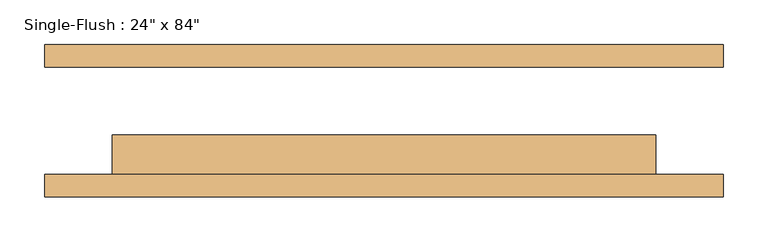
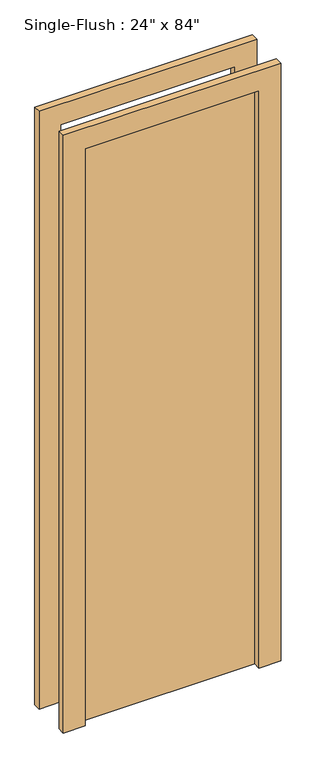
"""IFC4 building model written with IfcOpenShell, lengths in millimetres: door geometry."""

from ifc_helpers import new_model, si_unit, frame, origin, origin_with_axes, place, context, project, spatial, polyline, outline, extrude, source, transform, mapped, element, save


def door_6490ac36(model_context):
    return source(origin(), model_context, "Body", "SweptSolid", [
        extrude(outline(polyline([(2209.8, -381.0), (0.0, -381.0), (0.0, -304.8), (2133.6, -304.8), (2133.6, 304.8), (0.0, 304.8), (0.0, 381.0), (2209.8, 381.0), (2209.8, -381.0)])), frame((0.0, -85.725, 0.0), z_axis=(0.0, 1.0, 0.0), x_axis=(0.0, 0.0, 1.0)), (0.0, 0.0, 1.0), 25.4),
        extrude(outline(polyline([(2209.8, 381.0), (2209.8, -381.0), (0.0, -381.0), (0.0, -304.8), (2133.6, -304.8), (2133.6, 304.8), (0.0, 304.8), (0.0, 381.0), (2209.8, 381.0)])), frame((0.0, 60.325, 0.0), z_axis=(0.0, 1.0, 0.0), x_axis=(0.0, 0.0, 1.0)), (0.0, 0.0, 1.0), 25.4),
        extrude(outline(polyline([(304.8, -15.875), (304.8, -60.325), (-304.8, -60.325), (-304.8, -15.875), (304.8, -15.875)])), origin_with_axes(), (0.0, 0.0, 1.0), 2133.6),
    ])


if __name__ == "__main__":
    model = new_model("IFC4")
    model_context = context("Model", 3, world=origin())
    ifc_project = project(units=[si_unit("LENGTHUNIT", "METRE", prefix="MILLI")], contexts=[model_context])
    site = spatial("IfcSite", under=ifc_project)
    building = spatial("IfcBuilding", under=site)
    placement = place(None, origin())
    door_shape = door_6490ac36(model_context)
    element("IfcDoor", 1, ObjectType="Single-Flush : 24\" x 84\"", at=placement, inside=building, context=model_context, shape_type="MappedRepresentation", body=[
        mapped(door_shape, transform((0.0, 0.0, 0.0), x_axis=(1.0, 0.0, 0.0), y_axis=(0.0, 1.0, 0.0), z_axis=(0.0, 0.0, 1.0))),
    ])
    save(model, "model.ifc")
